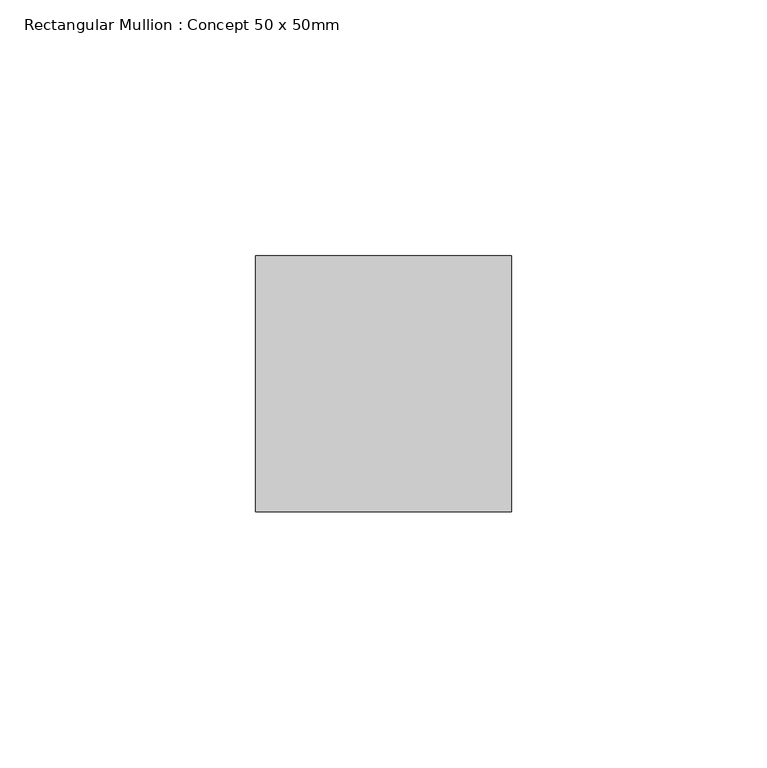
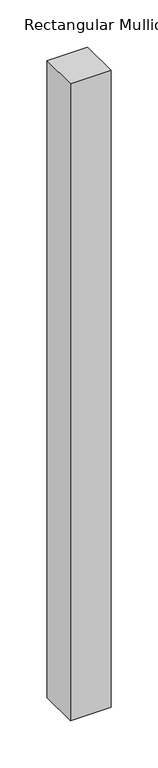
"""IFC4 building model written with IfcOpenShell, lengths in millimetres: member geometry, Rectangular Mullion : Concept 50 x 50mm."""

from ifc_helpers import new_model, si_unit, frame, origin, place, context, project, spatial, polyline, outline, extrude, source, transform, mapped, element, save


def rectangular_mullion_concept_50_x_50mm_74684520(model_context):
    return source(origin(), model_context, "Body", "SweptSolid", [
        extrude(outline(polyline([(0.0, 50.0), (0.0, 0.0), (-50.0, 0.0), (-50.0, 50.0), (0.0, 50.0)])), frame((0.0, 0.0, -826.25), z_axis=(0.0, 0.0, 1.0), x_axis=(1.0, 0.0, 0.0)), (0.0, 0.0, 1.0), 826.25),
    ])


if __name__ == "__main__":
    model = new_model("IFC4")
    model_context = context("Model", 3, world=origin())
    ifc_project = project(units=[si_unit("LENGTHUNIT", "METRE", prefix="MILLI")], contexts=[model_context])
    site = spatial("IfcSite", under=ifc_project)
    building = spatial("IfcBuilding", under=site)
    placement = place(None, origin())
    rectangular_mullion_concept_50_x_50mm_shape = rectangular_mullion_concept_50_x_50mm_74684520(model_context)
    element("IfcMember", 1, ObjectType="Rectangular Mullion : Concept 50 x 50mm", at=placement, inside=building, context=model_context, shape_type="MappedRepresentation", body=[
        mapped(rectangular_mullion_concept_50_x_50mm_shape, transform((0.0, 0.0, 0.0), x_axis=(1.0, 0.0, 0.0), y_axis=(0.0, 1.0, 0.0), z_axis=(0.0, 0.0, 1.0))),
    ])
    save(model, "model.ifc")
